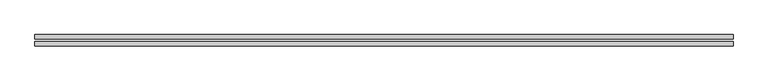
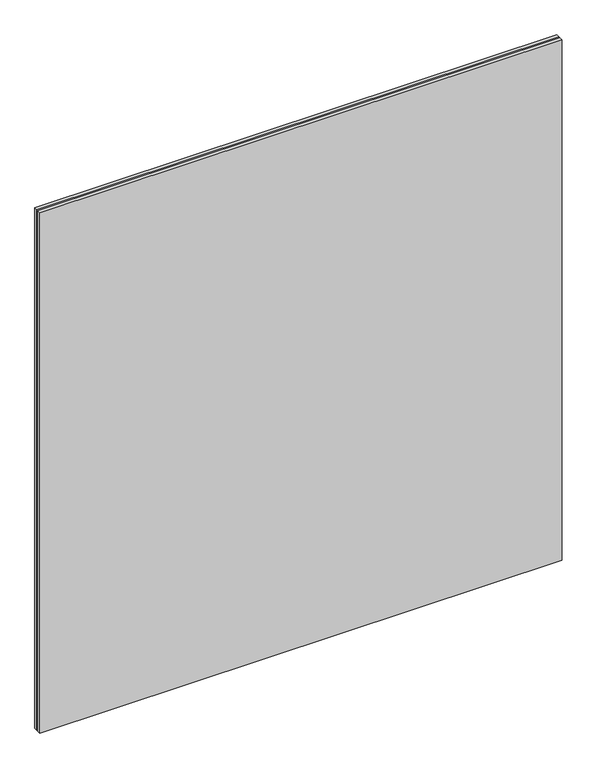
"""IFC4 building model written with IfcOpenShell, lengths in millimetres: plate geometry."""

from ifc_helpers import new_model, si_unit, origin, origin_with_axes, place, context, project, spatial, polyline, outline, extrude, source, transform, mapped, element, save


def plate_28c7fb62(model_context):
    return source(origin(), model_context, "Body", "SweptSolid", [
        extrude(outline(polyline([(612.5, -2.0), (612.5, -10.0), (-612.5, -10.0), (-612.5, -2.0), (612.5, -2.0)])), origin_with_axes(), (0.0, 0.0, 1.0), 1290.0),
        extrude(outline(polyline([(612.5, 2.0), (-612.5, 2.0), (-612.5, 10.0), (612.5, 10.0), (612.5, 2.0)])), origin_with_axes(), (0.0, 0.0, 1.0), 1290.0),
    ])


if __name__ == "__main__":
    model = new_model("IFC4")
    model_context = context("Model", 3, world=origin())
    ifc_project = project(units=[si_unit("LENGTHUNIT", "METRE", prefix="MILLI")], contexts=[model_context])
    site = spatial("IfcSite", under=ifc_project)
    building = spatial("IfcBuilding", under=site)
    placement = place(None, origin())
    plate_shape = plate_28c7fb62(model_context)
    element("IfcPlate", 1, at=placement, inside=building, context=model_context, shape_type="MappedRepresentation", body=[
        mapped(plate_shape, transform((0.0, 0.0, 0.0), x_axis=(1.0, 0.0, 0.0), y_axis=(0.0, 1.0, 0.0), z_axis=(0.0, 0.0, 1.0))),
    ])
    save(model, "model.ifc")
